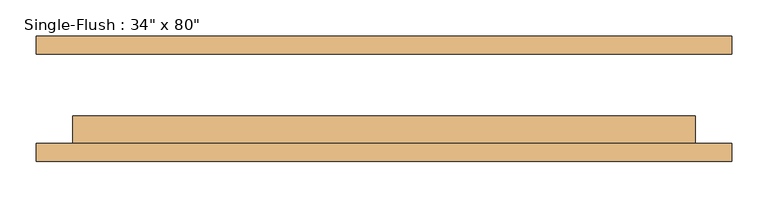
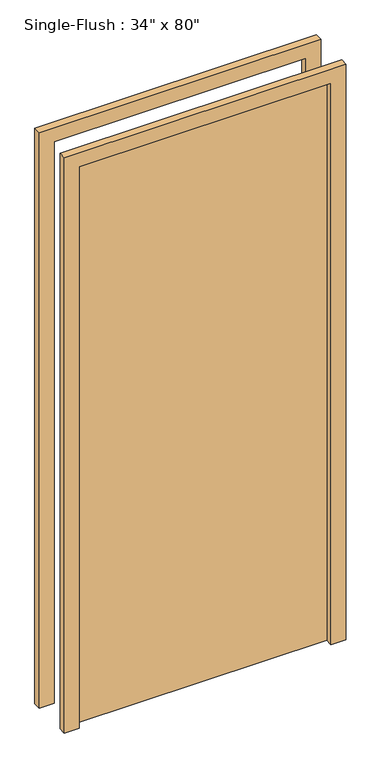
"""IFC4 building model written with IfcOpenShell, lengths in millimetres: door geometry."""

from ifc_helpers import new_model, si_unit, frame, origin, origin_with_axes, place, context, project, spatial, polyline, outline, extrude, source, transform, mapped, element, save


def door_f2494d5e(model_context):
    return source(origin(), model_context, "Body", "SweptSolid", [
        extrude(outline(polyline([(431.8, -23.8125), (431.8, -61.9125), (-431.8, -61.9125), (-431.8, -23.8125), (431.8, -23.8125)])), origin_with_axes(), (0.0, 0.0, 1.0), 2032.0),
        extrude(outline(polyline([(2082.8, -482.6), (0.0, -482.6), (0.0, -431.8), (2032.0, -431.8), (2032.0, 431.8), (0.0, 431.8), (0.0, 482.6), (2082.8, 482.6), (2082.8, -482.6)])), frame((0.0, -87.3125, 0.0), z_axis=(0.0, 1.0, 0.0), x_axis=(0.0, 0.0, 1.0)), (0.0, 0.0, 1.0), 25.4),
        extrude(outline(polyline([(2082.8, 482.6), (2082.8, -482.6), (0.0, -482.6), (0.0, -431.8), (2032.0, -431.8), (2032.0, 431.8), (0.0, 431.8), (0.0, 482.6), (2082.8, 482.6)])), frame((0.0, 61.9125, 0.0), z_axis=(0.0, 1.0, 0.0), x_axis=(0.0, 0.0, 1.0)), (0.0, 0.0, 1.0), 25.4),
    ])


if __name__ == "__main__":
    model = new_model("IFC4")
    model_context = context("Model", 3, world=origin())
    ifc_project = project(units=[si_unit("LENGTHUNIT", "METRE", prefix="MILLI")], contexts=[model_context])
    site = spatial("IfcSite", under=ifc_project)
    building = spatial("IfcBuilding", under=site)
    placement = place(None, origin())
    door_shape = door_f2494d5e(model_context)
    element("IfcDoor", 1, ObjectType="Single-Flush : 34\" x 80\"", at=placement, inside=building, context=model_context, shape_type="MappedRepresentation", body=[
        mapped(door_shape, transform((0.0, 0.0, 0.0), x_axis=(1.0, 0.0, 0.0), y_axis=(0.0, 1.0, 0.0), z_axis=(0.0, 0.0, 1.0))),
    ])
    save(model, "model.ifc")
